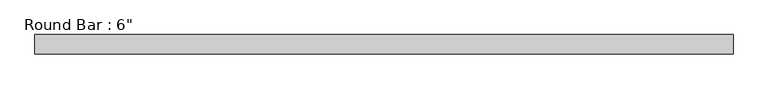
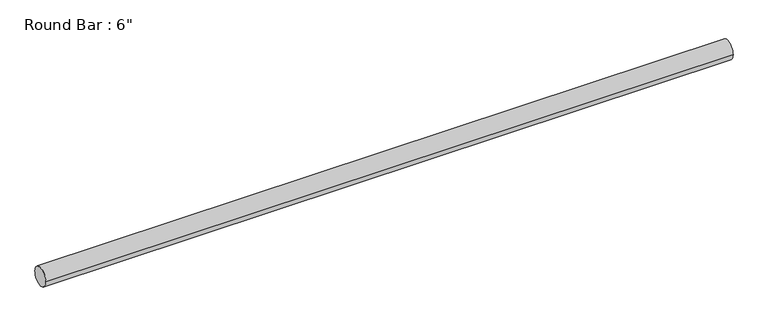
"""IFC4 building model written with IfcOpenShell, lengths in millimetres: beam geometry."""

import ifcopenshell
import ifcopenshell.guid

model = None  # the IFC model being written
_history = None  # IfcOwnerHistory: only IFC2X3 demands one
_inside = {}  # id of a spatial element -> (the spatial element, [elements in it])
_under = {}  # id of a project, library or spatial element -> (it, [spatial elements below it])
_declared = {}  # id of a project -> (the project, [libraries it declares])
_typed = {}  # id of a type object -> (the type object, [elements of that type])
_made_of = {}  # id of a material, layer set ... -> (it, [elements and type objects made of it])


def new_model(schema):
    """Start an empty IFC model of exactly this schema.

    Asked for "IFC4X3", IfcOpenShell would pick the latest addendum, in which some entities
    have other attributes; the version numbers below select the first issue.
    IFC2X3 requires an IfcOwnerHistory on every rooted entity: one is made here for all.
    """
    global model, _history
    if schema == "IFC4X3":
        model = ifcopenshell.file(schema_version=(4, 3, 0, 0))
    else:
        model = ifcopenshell.file(schema=schema)
    _inside.clear()
    _under.clear()
    _declared.clear()
    _typed.clear()
    _made_of.clear()
    _history = None
    if model.schema == "IFC2X3":
        org = make("IfcOrganization", Name="unknown")
        user = make(
            "IfcPersonAndOrganization",
            ThePerson=make("IfcPerson", FamilyName="unknown"),
            TheOrganization=org,
        )
        app = make(
            "IfcApplication",
            ApplicationDeveloper=org,
            Version="unknown",
            ApplicationFullName="unknown",
            ApplicationIdentifier="unknown",
        )
        _history = make(
            "IfcOwnerHistory",
            OwningUser=user,
            OwningApplication=app,
            ChangeAction="ADDED",
            CreationDate=0,
        )
    return model


def make(cls, **values):
    """One entity of the class cls with the attributes given. An attribute that is None is left unset."""
    return model.create_entity(
        cls, **{name: value for name, value in values.items() if value is not None}
    )


def rooted(cls, **values):
    """An entity with a GlobalId (a new one), such as an element, a storey or a relation."""
    return make(cls, GlobalId=ifcopenshell.guid.new(), OwnerHistory=_history, **values)


def si_unit(unit_type, name, prefix=None):
    """IfcSIUnit, for example si_unit("LENGTHUNIT", "METRE", prefix="MILLI")."""
    return make("IfcSIUnit", UnitType=unit_type, Prefix=prefix, Name=name)


def assignment(units):
    """IfcUnitAssignment: the units of a project."""
    return None if units is None else make("IfcUnitAssignment", Units=units)


def point(xyz):
    """IfcCartesianPoint."""
    return None if xyz is None else make("IfcCartesianPoint", Coordinates=xyz)


def direction(xyz):
    """IfcDirection."""
    return None if xyz is None else make("IfcDirection", DirectionRatios=xyz)


def frame(location, z_axis=None, x_axis=None):
    """IfcAxis2Placement3D, a coordinate frame: its origin and axes. An axis left out is left unset."""
    return make(
        "IfcAxis2Placement3D",
        Location=point(location),
        Axis=direction(z_axis),
        RefDirection=direction(x_axis),
    )


def frame_2d(location, x_axis=None):
    """IfcAxis2Placement2D, a coordinate frame in the plane: its origin and x axis."""
    return make(
        "IfcAxis2Placement2D", Location=point(location), RefDirection=direction(x_axis)
    )


def origin():
    """The frame at (0, 0, 0) with its axes left unset."""
    return frame((0.0, 0.0, 0.0))


def origin_2d():
    """The frame at (0, 0) in the plane with its x axis left unset."""
    return frame_2d((0.0, 0.0))


def place(relative_to, where):
    """IfcLocalPlacement: puts the frame where relative to a parent placement (None: the world)."""
    return make(
        "IfcLocalPlacement", PlacementRelTo=relative_to, RelativePlacement=where
    )


def context(
    kind, dimensions, precision=None, world=None, true_north=None, identifier=None
):
    """IfcGeometricRepresentationContext, for example the 3D "Model" context."""
    return make(
        "IfcGeometricRepresentationContext",
        ContextIdentifier=identifier,
        ContextType=kind,
        CoordinateSpaceDimension=dimensions,
        Precision=precision,
        WorldCoordinateSystem=world,
        TrueNorth=true_north,
    )


def project(units=None, contexts=None):
    """IfcProject with its units and contexts."""
    return rooted(
        "IfcProject",
        Name="project",
        RepresentationContexts=contexts,
        UnitsInContext=assignment(units),
    )


def spatial(cls, under=None, at=None, **own):
    """A site, building, storey or space (cls), placed at a placement, below another one or the project."""
    s = rooted(cls, ObjectPlacement=at, **own)
    if under is not None:
        _under.setdefault(under.id(), (under, []))[1].append(s)
    return s


def circle_curve(where, radius):
    """IfcCircle in the frame where."""
    return make("IfcCircle", Position=where, Radius=radius)


def trimmed(basis, trim1, trim2, sense, master):
    """IfcTrimmedCurve: the piece of a basis curve between two trims."""
    return make(
        "IfcTrimmedCurve",
        BasisCurve=basis,
        Trim1=trim1,
        Trim2=trim2,
        SenseAgreement=sense,
        MasterRepresentation=master,
    )


def segment(curve, same_sense, transition):
    """IfcCompositeCurveSegment."""
    return make(
        "IfcCompositeCurveSegment",
        Transition=transition,
        SameSense=same_sense,
        ParentCurve=curve,
    )


def composite_curve(segments, self_intersect=None):
    """IfcCompositeCurve: segments joined end to end."""
    return make("IfcCompositeCurve", Segments=segments, SelfIntersect=self_intersect)


def outline(outer, holes=None, kind="AREA"):
    """IfcArbitraryClosedProfileDef: a profile drawn as a closed curve; with holes, ...WithVoids."""
    if holes is None:
        return make("IfcArbitraryClosedProfileDef", ProfileType=kind, OuterCurve=outer)
    return make(
        "IfcArbitraryProfileDefWithVoids",
        ProfileType=kind,
        OuterCurve=outer,
        InnerCurves=holes,
    )


def extrude(swept, where, along, depth):
    """IfcExtrudedAreaSolid: the profile swept, set in the frame where, extruded along a direction by depth."""
    return make(
        "IfcExtrudedAreaSolid",
        SweptArea=swept,
        Position=where,
        ExtrudedDirection=direction(along),
        Depth=depth,
    )


def shape(context_of_items, identifier, shape_type, items):
    """IfcShapeRepresentation: the items that make up one representation, for example the "Body"."""
    return make(
        "IfcShapeRepresentation",
        ContextOfItems=context_of_items,
        RepresentationIdentifier=identifier,
        RepresentationType=shape_type,
        Items=items,
    )


def source(mapping_origin, context_of_items, identifier, shape_type, items):
    """IfcRepresentationMap: a shape defined once, which mapped items show again and again."""
    return make(
        "IfcRepresentationMap",
        MappingOrigin=mapping_origin,
        MappedRepresentation=shape(context_of_items, identifier, shape_type, items),
    )


def transform(
    local_origin,
    x_axis=None,
    y_axis=None,
    z_axis=None,
    scale=None,
    scale2=None,
    scale3=None,
    uniform=True,
):
    """IfcCartesianTransformationOperator3D, or its non-uniform kind. x_axis, y_axis, z_axis: its Axis1, 2, 3."""
    if uniform:
        return make(
            "IfcCartesianTransformationOperator3D",
            Axis1=direction(x_axis),
            Axis2=direction(y_axis),
            LocalOrigin=point(local_origin),
            Scale=scale,
            Axis3=direction(z_axis),
        )
    return make(
        "IfcCartesianTransformationOperator3DnonUniform",
        Axis1=direction(x_axis),
        Axis2=direction(y_axis),
        LocalOrigin=point(local_origin),
        Scale=scale,
        Axis3=direction(z_axis),
        Scale2=scale2,
        Scale3=scale3,
    )


def mapped(mapping_source, mapping_target):
    """IfcMappedItem: shows the shape of a source again, moved by a transform."""
    return make(
        "IfcMappedItem", MappingSource=mapping_source, MappingTarget=mapping_target
    )


def made_of(thing, what):
    """Note that an element or type object is made of a material, layer set ...; save() writes the relation."""
    if what is not None:
        _made_of.setdefault(what.id(), (what, []))[1].append(thing)
    return thing


def element(
    cls,
    number,
    at=None,
    inside=None,
    cuts=None,
    type_object=None,
    material=None,
    context=None,
    identifier="Body",
    shape_type=None,
    held_by="IfcProductDefinitionShape",
    body=None,
    shapes=None,
    **own,
):
    """One element of the class cls, such as IfcWall. Its Tag is "e" and its number.

    at: its placement. inside: the storey or other place that contains it. cuts: it is an
    opening in that element (IfcRelVoidsElement). A single representation is given by context,
    identifier, shape_type and body (its items); several are given by shapes. held_by: the class
    of the entity that holds the representations. save() writes the other relations.
    """
    e = rooted(cls, Tag="e%d" % number, ObjectPlacement=at, **own)
    if body is not None:
        shapes = [shape(context, identifier, shape_type, body)]
    if shapes is not None:
        e.Representation = make(held_by, Representations=shapes)
    if inside is not None:
        _inside.setdefault(inside.id(), (inside, []))[1].append(e)
    if cuts is not None:
        rooted(
            "IfcRelVoidsElement", RelatingBuildingElement=cuts, RelatedOpeningElement=e
        )
    if type_object is not None:
        _typed.setdefault(type_object.id(), (type_object, []))[1].append(e)
    return made_of(e, material)


def aggregate(whole, parts):
    """IfcRelAggregates: a whole, such as a stair, and the parts it consists of."""
    return rooted("IfcRelAggregates", RelatingObject=whole, RelatedObjects=parts)


def save(model, path):
    """Write the relations noted so far, then the file.

    IfcRelAggregates (storeys below a building ...), IfcRelContainedInSpatialStructure (elements
    in a storey), IfcRelDefinesByType, IfcRelAssociatesMaterial and IfcRelDeclares: one each for
    every whole, place, type object, material and project.
    """
    for whole, parts in _under.values():
        aggregate(whole, parts)
    for where, things in _inside.values():
        rooted(
            "IfcRelContainedInSpatialStructure",
            RelatedElements=things,
            RelatingStructure=where,
        )
    for kind, things in _typed.values():
        rooted("IfcRelDefinesByType", RelatedObjects=things, RelatingType=kind)
    for what, things in _made_of.values():
        rooted("IfcRelAssociatesMaterial", RelatedObjects=things, RelatingMaterial=what)
    for by, libraries in _declared.values():
        rooted("IfcRelDeclares", RelatingContext=by, RelatedDefinitions=libraries)
    model.write(path)


def beam_1186a36c(model_context):
    return source(origin(), model_context, "Body", "SweptSolid", [
        extrude(outline(composite_curve([segment(trimmed(circle_curve(origin_2d(), 76.2), [point((-76.2, 0.0))], [point((76.2, 0.0))], False, "CARTESIAN"), True, "CONTINUOUS"), segment(trimmed(circle_curve(origin_2d(), 76.2), [point((76.2, 0.0))], [point((-76.2, 0.0))], False, "CARTESIAN"), True, "CONTINUOUS")], self_intersect=False)), frame((-2745.4766428, 0.0, 0.0), z_axis=(1.0, 0.0, 0.0), x_axis=(0.0, 1.0, 0.0)), (0.0, 0.0, 1.0), 5490.9532856),
    ])


if __name__ == "__main__":
    model = new_model("IFC4")
    model_context = context("Model", 3, world=origin())
    ifc_project = project(units=[si_unit("LENGTHUNIT", "METRE", prefix="MILLI")], contexts=[model_context])
    site = spatial("IfcSite", under=ifc_project)
    building = spatial("IfcBuilding", under=site)
    placement = place(None, origin())
    beam_shape = beam_1186a36c(model_context)
    element("IfcBeam", 1, ObjectType="Round Bar : 6\"", at=placement, inside=building, context=model_context, shape_type="MappedRepresentation", body=[
        mapped(beam_shape, transform((0.0, 0.0, 0.0), x_axis=(1.0, 0.0, 0.0), y_axis=(0.0, 1.0, 0.0), z_axis=(0.0, 0.0, 1.0))),
    ])
    save(model, "model.ifc")
